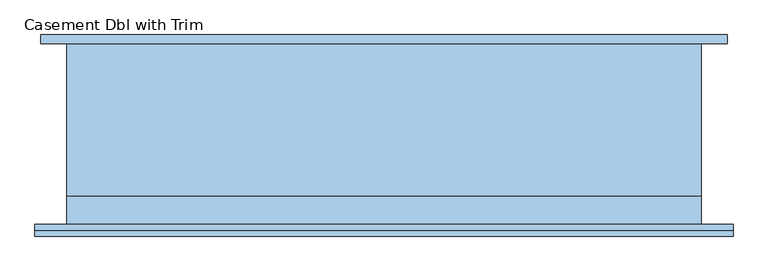
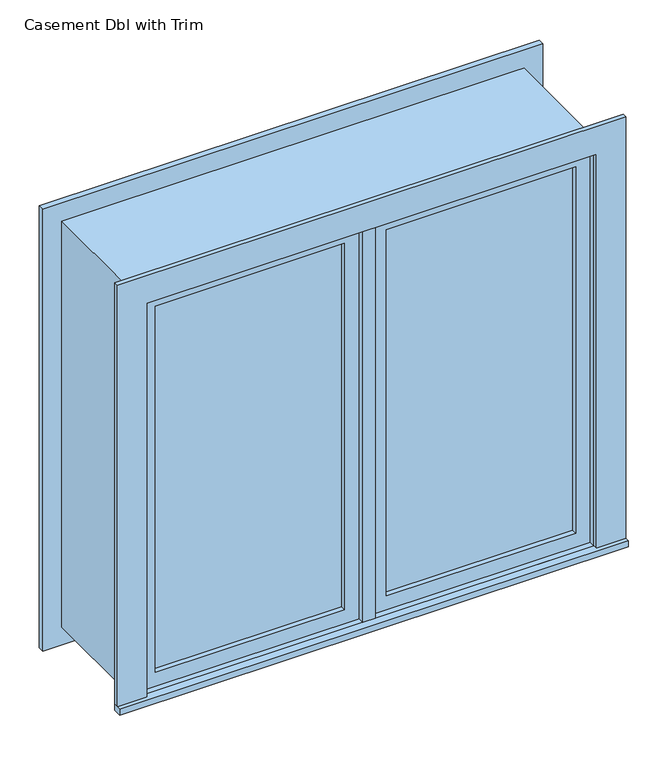
"""IFC4 building model written with IfcOpenShell, lengths in millimetres: window geometry, Casement Dbl with Trim."""

from ifc_helpers import new_model, si_unit, frame, origin, place, context, project, spatial, polyline, outline, extrude, source, transform, mapped, element, save


def casement_dbl_with_trim_d3e30a2f(model_context):
    return source(origin(), model_context, "Body", "SweptSolid", [
        extrude(outline(polyline([(63.5, -184.125), (63.5, -171.425), (636.5, -171.425), (636.5, -184.125), (63.5, -184.125)])), frame((0.0, 0.0, 1282.7), z_axis=(0.0, 0.0, 1.0), x_axis=(1.0, 0.0, 0.0)), (0.0, 0.0, 1.0), 1173.0),
        extrude(outline(polyline([(2500.15, 19.05), (1238.25, 19.05), (1238.25, 680.95), (2500.15, 680.95), (2500.15, 19.05)]), holes=[polyline([(2455.7, 63.5), (2455.7, 636.5), (1282.7, 636.5), (1282.7, 63.5), (2455.7, 63.5)])]), frame((0.0, -200.0, 0.0), z_axis=(0.0, 1.0, 0.0), x_axis=(0.0, 0.0, 1.0)), (0.0, 0.0, 1.0), 44.45),
        extrude(outline(polyline([(19.05, -155.55), (19.05, -219.05), (-19.05, -219.05), (-19.05, -155.55), (19.05, -155.55)])), frame((0.0, 0.0, 1238.25), z_axis=(0.0, 0.0, 1.0), x_axis=(1.0, 0.0, 0.0)), (0.0, 0.0, 1.0), 1261.9),
        extrude(outline(polyline([(-769.85, -244.45), (-769.85, -219.05), (769.85, -219.05), (769.85, -244.45), (-769.85, -244.45)])), frame((0.0, 0.0, 1219.2), z_axis=(0.0, 0.0, 1.0), x_axis=(1.0, 0.0, 0.0)), (0.0, 0.0, 1.0), 19.05),
        extrude(outline(polyline([(2500.15, -680.95), (2500.15, 680.95), (1238.25, 680.95), (1238.25, 769.85), (2589.05, 769.85), (2589.05, -769.85), (1238.25, -769.85), (1238.25, -680.95), (2500.15, -680.95)])), frame((0.0, -231.75, 0.0), z_axis=(0.0, 1.0, 0.0), x_axis=(0.0, 0.0, 1.0)), (0.0, 0.0, 1.0), 12.7),
        extrude(outline(polyline([(2576.35, 757.15), (2576.35, -757.15), (1162.05, -757.15), (1162.05, 757.15), (2576.35, 757.15)]), holes=[polyline([(2487.45, 668.25), (1250.95, 668.25), (1250.95, -668.25), (2487.45, -668.25), (2487.45, 668.25)])]), frame((0.0, 180.95, 0.0), z_axis=(0.0, 1.0, 0.0), x_axis=(0.0, 0.0, 1.0)), (0.0, 0.0, 1.0), 19.05),
        extrude(outline(polyline([(-63.5, -171.425), (-63.5, -184.125), (-636.5, -184.125), (-636.5, -171.425), (-63.5, -171.425)])), frame((0.0, 0.0, 1282.7), z_axis=(0.0, 0.0, 1.0), x_axis=(1.0, 0.0, 0.0)), (0.0, 0.0, 1.0), 1173.0),
        extrude(outline(polyline([(2500.15, -680.95), (1238.25, -680.95), (1238.25, -19.05), (2500.15, -19.05), (2500.15, -680.95)]), holes=[polyline([(2455.7, -636.5), (2455.7, -63.5), (1282.7, -63.5), (1282.7, -636.5), (2455.7, -636.5)])]), frame((0.0, -200.0, 0.0), z_axis=(0.0, 1.0, 0.0), x_axis=(0.0, 0.0, 1.0)), (0.0, 0.0, 1.0), 44.45),
        extrude(outline(polyline([(2519.2, -700.0), (1219.2, -700.0), (1219.2, 700.0), (2519.2, 700.0), (2519.2, -700.0)]), holes=[polyline([(2487.45, -668.25), (2487.45, 668.25), (1250.95, 668.25), (1250.95, -668.25), (2487.45, -668.25)])]), frame((0.0, -155.55, 0.0), z_axis=(0.0, 1.0, 0.0), x_axis=(0.0, 0.0, 1.0)), (0.0, 0.0, 1.0), 336.5),
        extrude(outline(polyline([(2519.2, 700.0), (2519.2, -700.0), (1219.2, -700.0), (1219.2, 700.0), (2519.2, 700.0)]), holes=[polyline([(2500.15, 680.95), (1238.25, 680.95), (1238.25, -680.95), (2500.15, -680.95), (2500.15, 680.95)])]), frame((0.0, -219.05, 0.0), z_axis=(0.0, 1.0, 0.0), x_axis=(0.0, 0.0, 1.0)), (0.0, 0.0, 1.0), 63.5),
    ])


if __name__ == "__main__":
    model = new_model("IFC4")
    model_context = context("Model", 3, world=origin())
    ifc_project = project(units=[si_unit("LENGTHUNIT", "METRE", prefix="MILLI")], contexts=[model_context])
    site = spatial("IfcSite", under=ifc_project)
    building = spatial("IfcBuilding", under=site)
    placement = place(None, origin())
    casement_dbl_with_trim_shape = casement_dbl_with_trim_d3e30a2f(model_context)
    element("IfcWindow", 1, ObjectType="Casement Dbl with Trim", at=placement, inside=building, context=model_context, shape_type="MappedRepresentation", body=[
        mapped(casement_dbl_with_trim_shape, transform((0.0, 0.0, 0.0), x_axis=(1.0, 0.0, 0.0), y_axis=(0.0, 1.0, 0.0), z_axis=(0.0, 0.0, 1.0))),
    ])
    save(model, "model.ifc")
